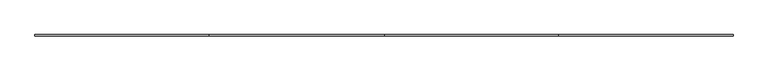
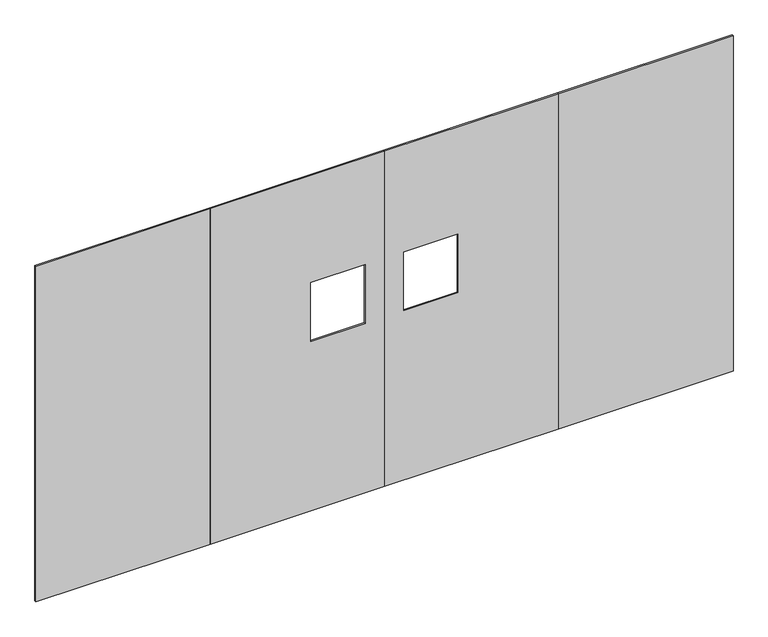
"""IFC4 building model written with IfcOpenShell, lengths in millimetres: furniture geometry."""

from ifc_helpers import new_model, si_unit, frame, origin, place, context, project, spatial, polyline, outline, extrude, source, transform, mapped, element, save


def furniture_918bedc5(model_context):
    return source(origin(), model_context, "Body", "SweptSolid", [
        extrude(outline(polyline([(4272.28, -4.7752), (3204.21, -4.7752), (3204.21, 4.7498), (4272.28, 4.7498), (4272.28, -4.7752)])), frame((0.0, 0.0, 12.7), z_axis=(0.0, 0.0, 1.0), x_axis=(1.0, 0.0, 0.0)), (0.0, 0.0, 1.0), 2173.6010468),
        extrude(outline(polyline([(12.7, 2136.14), (2186.3010468, 2136.14), (2186.3010468, 1068.07), (12.7, 1068.07), (12.7, 2136.14)]), holes=[polyline([(1491.9706, 1685.544), (1491.9706, 2019.1476), (1110.9706, 2019.1476), (1110.9706, 1685.544), (1491.9706, 1685.544)])]), frame((0.0, -4.7752, 0.0), z_axis=(0.0, 1.0, 0.0), x_axis=(0.0, 0.0, 1.0)), (0.0, 0.0, 1.0), 9.525),
        extrude(outline(polyline([(12.7, 2136.14), (12.7, 3204.21), (2186.3010468, 3204.21), (2186.3010468, 2136.14), (12.7, 2136.14)]), holes=[polyline([(1110.9706, 2586.736), (1110.9706, 2253.1324), (1491.9706, 2253.1324), (1491.9706, 2586.736), (1110.9706, 2586.736)])]), frame((0.0, -4.7752, 0.0), z_axis=(0.0, 1.0, 0.0), x_axis=(0.0, 0.0, 1.0)), (0.0, 0.0, 1.0), 9.525),
        extrude(outline(polyline([(1068.07, -4.7752), (0.0, -4.7752), (0.0, 4.7498), (1068.07, 4.7498), (1068.07, -4.7752)])), frame((0.0, 0.0, 12.7), z_axis=(0.0, 0.0, 1.0), x_axis=(1.0, 0.0, 0.0)), (0.0, 0.0, 1.0), 2173.6010468),
    ])


if __name__ == "__main__":
    model = new_model("IFC4")
    model_context = context("Model", 3, world=origin())
    ifc_project = project(units=[si_unit("LENGTHUNIT", "METRE", prefix="MILLI")], contexts=[model_context])
    site = spatial("IfcSite", under=ifc_project)
    building = spatial("IfcBuilding", under=site)
    placement = place(None, origin())
    furniture_shape = furniture_918bedc5(model_context)
    element("IfcFurniture", 1, at=placement, inside=building, context=model_context, shape_type="MappedRepresentation", body=[
        mapped(furniture_shape, transform((0.0, 0.0, 0.0), x_axis=(1.0, 0.0, 0.0), y_axis=(0.0, 1.0, 0.0), z_axis=(0.0, 0.0, 1.0))),
    ])
    save(model, "model.ifc")
